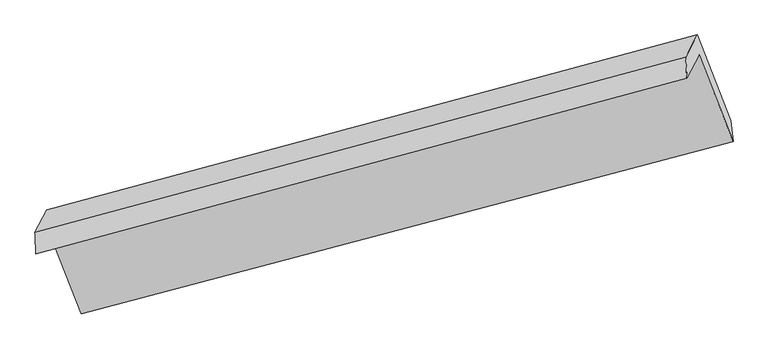
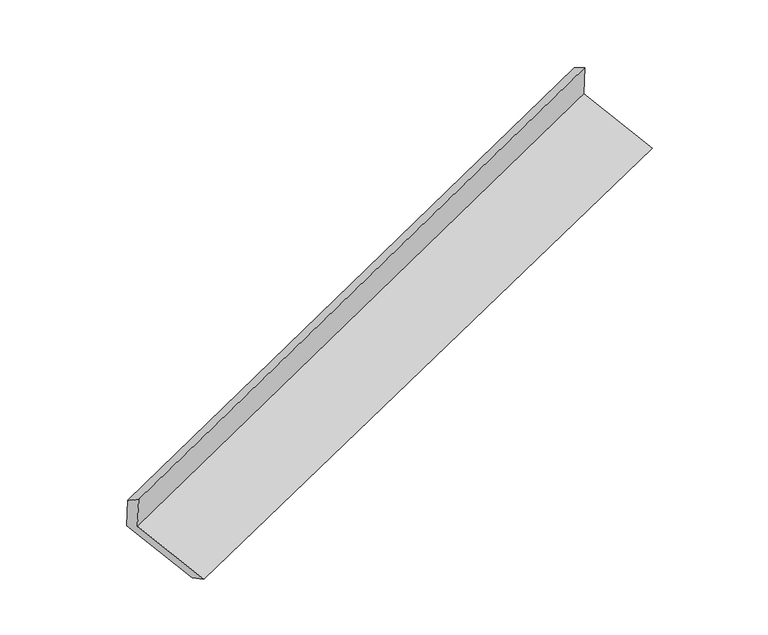
"""IFC4 building model written with IfcOpenShell, lengths in millimetres: proxy geometry."""

from ifc_helpers import new_model, si_unit, frame, origin, place, context, project, spatial, source, transform, mapped, element, save
from ifc_brep_helpers import plane_surface, spline_surface, advanced_brep


def generic_models_eca676e2(model_context):
    return source(origin(), model_context, "Body", "AdvancedBrep", [
        advanced_brep(
        [(-5217.4851457, -2092.5071557, 1498.8144141), (-5132.7151549, -1928.9765641, 1129.5515292), (-675.3632808, -727.2574177, 2696.1700108), (-758.0790082, -886.8251105, 3056.4844079), (-5224.3323477, -1945.5212687, 1404.6456936), (-766.9804736, -743.8021224, 2971.2641752), (-5144.6075197, -1791.7233483, 1057.3598237), (-687.2556456, -590.004202, 2623.9783053), (-4920.6887459, -2360.7612487, 856.7615097), (-456.3782354, -1176.7258712, 2417.1460758), (-4906.3280576, -2504.2871393, 926.74196), (-442.0175471, -1320.2517617, 2487.1265262)],
        [
            (0, 1),
            (1, 2),
            (2, 3),
            (3, 0),
            (4, 0),
            (3, 5),
            (5, 4),
            (6, 4),
            (5, 7),
            (7, 6),
            (8, 6),
            (7, 9),
            (9, 8),
            (10, 8),
            (9, 11),
            (11, 10),
            (1, 10),
            (11, 2),
        ],
        [
            plane_surface(frame((-5175.1001503, -2010.7418599, 1314.1829717), z_axis=(0.3479318173345936, -0.884188437909038, -0.3116957759646779), x_axis=(0.20542633959258652, 0.39628989610760057, -0.894848778981465))),
            spline_surface(1, 1, [[(-5224.3323477, -1945.5212687, 1404.6456936), (-766.9804736, -743.8021224, 2971.2641752)], [(-5217.4851457, -2092.5071557, 1498.8144141), (-758.0790082, -886.8251105, 3056.4844079)]], [2, 2], [2, 2], [0.0, 1.0], [0.0, 1.0]),
            plane_surface(frame((-5184.4699337, -1868.6223085, 1231.0027587), z_axis=(-0.34793181733459344, 0.8841884379090378, 0.31169577596467835), x_axis=(-0.20542633959258635, -0.3962898961076009, 0.8948487789814648))),
            plane_surface(frame((-5032.6481328, -2076.2422985, 957.0606667), z_axis=(0.20730225974304733, 0.3967963685728614, -0.8941914867593052), x_axis=(-0.3479318173345904, 0.8841884379090387, 0.3116957759646791))),
            plane_surface(frame((-4913.5084017, -2432.524194, 891.7517349), z_axis=(0.39255606142358, -0.3710501403659315, -0.8415589890043532), x_axis=(-0.08957398120962815, 0.8952346261516161, -0.4364991019800996))),
            plane_surface(frame((-5019.5216062, -2216.6318517, 1028.1467446), z_axis=(-0.20730225974304922, -0.39679636857285655, 0.8941914867593066), x_axis=(0.34793181733458595, -0.8841884379090417, -0.31169577596467546))),
            plane_surface(frame((-631.0123651, -907.4777476, 2708.6949169), z_axis=(0.9147368307266527, 0.24731583958776537, 0.3195174580537943), x_axis=(-0.3479318173345904, 0.8841884379090387, 0.3116957759646791))),
            plane_surface(frame((-5091.0261619, -2103.9627875, 1145.6458217), z_axis=(-0.9147368307266406, -0.2473158395877968, -0.31951745805380455), x_axis=(-0.20542633959258555, -0.3962898961076011, 0.8948487789814649))),
        ],
        [
            (0, [[1, 2, 3, 4]]),
            (1, [[5, -4, 6, 7]]),
            (2, [[8, -7, 9, 10]]),
            (3, [[11, -10, 12, 13]]),
            (4, [[14, -13, 15, 16]]),
            (5, [[17, -16, 18, -2]]),
            (6, [[-12, -9, -6, -3, -18, -15]]),
            (7, [[-1, -5, -8, -11, -14, -17]]),
        ],
    ),
    ])


if __name__ == "__main__":
    model = new_model("IFC4")
    model_context = context("Model", 3, world=origin())
    ifc_project = project(units=[si_unit("LENGTHUNIT", "METRE", prefix="MILLI")], contexts=[model_context])
    site = spatial("IfcSite", under=ifc_project)
    building = spatial("IfcBuilding", under=site)
    placement = place(None, origin())
    generic_models_shape = generic_models_eca676e2(model_context)
    element("IfcBuildingElementProxy", 1, Name="Generic Models", at=placement, inside=building, context=model_context, shape_type="MappedRepresentation", body=[
        mapped(generic_models_shape, transform((0.0, 0.0, 0.0), x_axis=(1.0, 0.0, 0.0), y_axis=(0.0, 1.0, 0.0), z_axis=(0.0, 0.0, 1.0))),
    ])
    save(model, "model.ifc")
